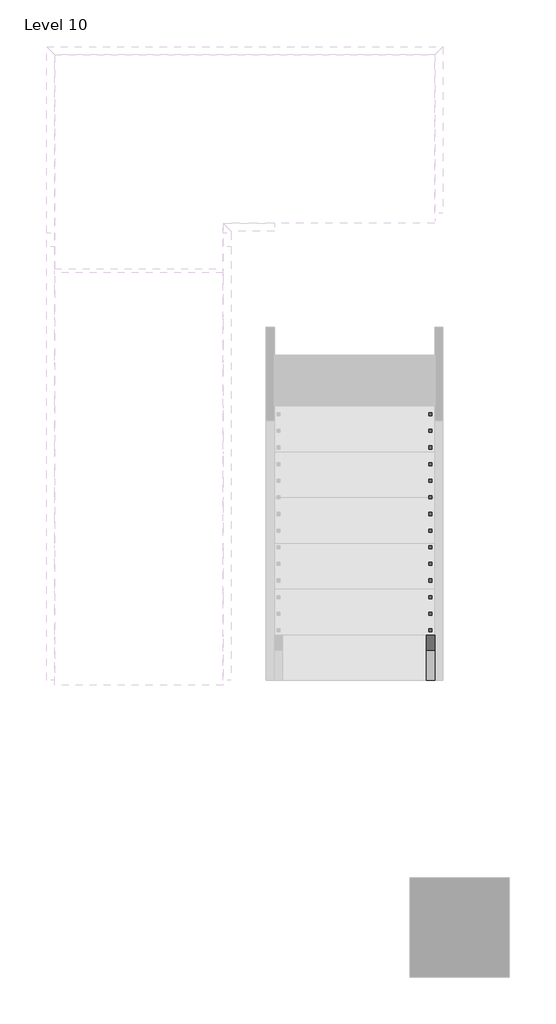
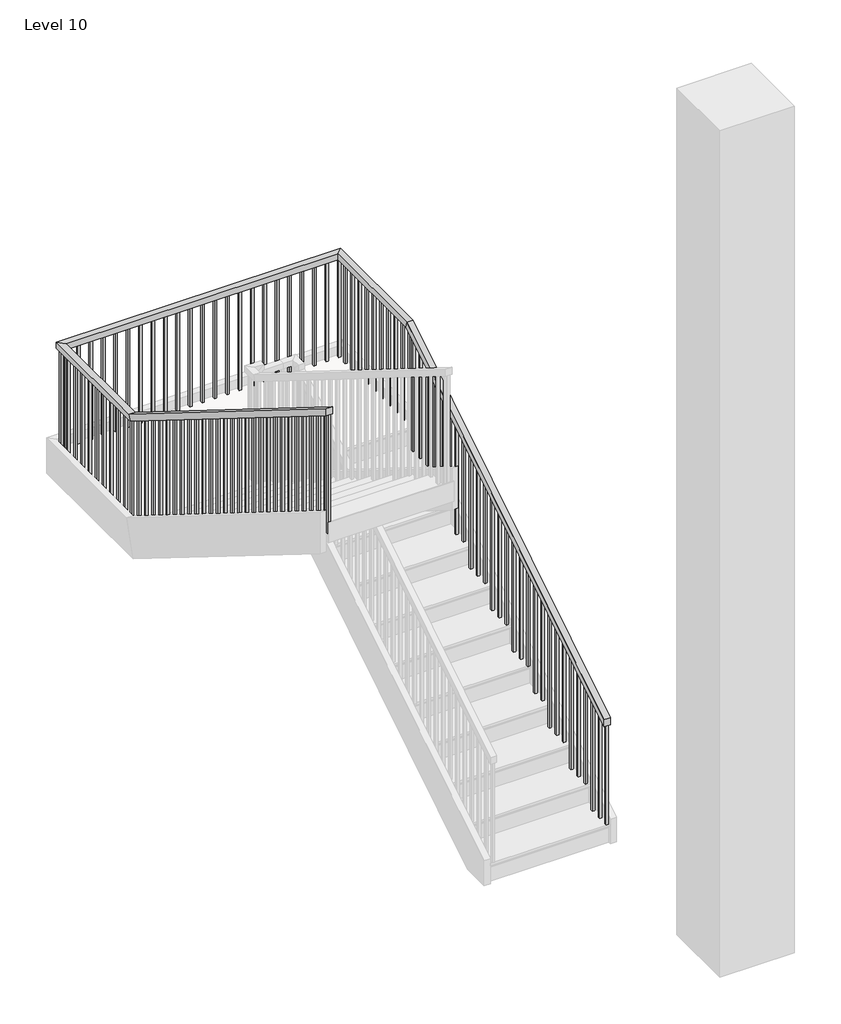
# One storey, part 13 of 16: 1 railing.
"""IFC4 building model written with IfcOpenShell, lengths in millimetres."""

import ifcopenshell
import ifcopenshell.guid

model = None  # the IFC model being written
_history = None  # IfcOwnerHistory: only IFC2X3 demands one
_inside = {}  # id of a spatial element -> (the spatial element, [elements in it])
_under = {}  # id of a project, library or spatial element -> (it, [spatial elements below it])
_declared = {}  # id of a project -> (the project, [libraries it declares])
_typed = {}  # id of a type object -> (the type object, [elements of that type])
_made_of = {}  # id of a material, layer set ... -> (it, [elements and type objects made of it])


def new_model(schema):
    """Start an empty IFC model of exactly this schema.

    Asked for "IFC4X3", IfcOpenShell would pick the latest addendum, in which some entities
    have other attributes; the version numbers below select the first issue.
    IFC2X3 requires an IfcOwnerHistory on every rooted entity: one is made here for all.
    """
    global model, _history
    if schema == "IFC4X3":
        model = ifcopenshell.file(schema_version=(4, 3, 0, 0))
    else:
        model = ifcopenshell.file(schema=schema)
    _inside.clear()
    _under.clear()
    _declared.clear()
    _typed.clear()
    _made_of.clear()
    _history = None
    if model.schema == "IFC2X3":
        org = make("IfcOrganization", Name="unknown")
        user = make(
            "IfcPersonAndOrganization",
            ThePerson=make("IfcPerson", FamilyName="unknown"),
            TheOrganization=org,
        )
        app = make(
            "IfcApplication",
            ApplicationDeveloper=org,
            Version="unknown",
            ApplicationFullName="unknown",
            ApplicationIdentifier="unknown",
        )
        _history = make(
            "IfcOwnerHistory",
            OwningUser=user,
            OwningApplication=app,
            ChangeAction="ADDED",
            CreationDate=0,
        )
    return model


def make(cls, **values):
    """One entity of the class cls with the attributes given. An attribute that is None is left unset."""
    return model.create_entity(
        cls, **{name: value for name, value in values.items() if value is not None}
    )


def rooted(cls, **values):
    """An entity with a GlobalId (a new one), such as an element, a storey or a relation."""
    return make(cls, GlobalId=ifcopenshell.guid.new(), OwnerHistory=_history, **values)


def si_unit(unit_type, name, prefix=None):
    """IfcSIUnit, for example si_unit("LENGTHUNIT", "METRE", prefix="MILLI")."""
    return make("IfcSIUnit", UnitType=unit_type, Prefix=prefix, Name=name)


def assignment(units):
    """IfcUnitAssignment: the units of a project."""
    return None if units is None else make("IfcUnitAssignment", Units=units)


def point(xyz):
    """IfcCartesianPoint."""
    return None if xyz is None else make("IfcCartesianPoint", Coordinates=xyz)


def direction(xyz):
    """IfcDirection."""
    return None if xyz is None else make("IfcDirection", DirectionRatios=xyz)


def frame(location, z_axis=None, x_axis=None):
    """IfcAxis2Placement3D, a coordinate frame: its origin and axes. An axis left out is left unset."""
    return make(
        "IfcAxis2Placement3D",
        Location=point(location),
        Axis=direction(z_axis),
        RefDirection=direction(x_axis),
    )


def origin():
    """The frame at (0, 0, 0) with its axes left unset."""
    return frame((0.0, 0.0, 0.0))


def place(relative_to, where):
    """IfcLocalPlacement: puts the frame where relative to a parent placement (None: the world)."""
    return make(
        "IfcLocalPlacement", PlacementRelTo=relative_to, RelativePlacement=where
    )


def context(
    kind, dimensions, precision=None, world=None, true_north=None, identifier=None
):
    """IfcGeometricRepresentationContext, for example the 3D "Model" context."""
    return make(
        "IfcGeometricRepresentationContext",
        ContextIdentifier=identifier,
        ContextType=kind,
        CoordinateSpaceDimension=dimensions,
        Precision=precision,
        WorldCoordinateSystem=world,
        TrueNorth=true_north,
    )


def project(units=None, contexts=None):
    """IfcProject with its units and contexts."""
    return rooted(
        "IfcProject",
        Name="project",
        RepresentationContexts=contexts,
        UnitsInContext=assignment(units),
    )


def spatial(cls, under=None, at=None, **own):
    """A site, building, storey or space (cls), placed at a placement, below another one or the project."""
    s = rooted(cls, ObjectPlacement=at, **own)
    if under is not None:
        _under.setdefault(under.id(), (under, []))[1].append(s)
    return s


def polyline(points):
    """IfcPolyline through the points."""
    return make("IfcPolyline", Points=[point(p) for p in points])


def outline(outer, holes=None, kind="AREA"):
    """IfcArbitraryClosedProfileDef: a profile drawn as a closed curve; with holes, ...WithVoids."""
    if holes is None:
        return make("IfcArbitraryClosedProfileDef", ProfileType=kind, OuterCurve=outer)
    return make(
        "IfcArbitraryProfileDefWithVoids",
        ProfileType=kind,
        OuterCurve=outer,
        InnerCurves=holes,
    )


def extrude(swept, where, along, depth):
    """IfcExtrudedAreaSolid: the profile swept, set in the frame where, extruded along a direction by depth."""
    return make(
        "IfcExtrudedAreaSolid",
        SweptArea=swept,
        Position=where,
        ExtrudedDirection=direction(along),
        Depth=depth,
    )


def faces_of(points, faces, orient=None, outer=None):
    """IfcFace entities. A face is a list of loops; a loop is a list of indices into points, from 0.

    orient and outer hold one flag for each loop. By default every Orientation is true, the
    first loop of a face is its IfcFaceOuterBound and the others are IfcFaceBound.
    """
    made = []
    for i, loops in enumerate(faces):
        bounds = []
        for j, loop in enumerate(loops):
            is_outer = j == 0 if outer is None else outer[i][j]
            bounds.append(
                make(
                    "IfcFaceOuterBound" if is_outer else "IfcFaceBound",
                    Bound=make("IfcPolyLoop", Polygon=[points[k] for k in loop]),
                    Orientation=True if orient is None else orient[i][j],
                )
            )
        made.append(make("IfcFace", Bounds=bounds))
    return made


def faceted_brep(points, faces, orient=None, outer=None, voids=None):
    """IfcFacetedBrep: a solid bounded by flat faces; with voids (closed shells), ...WithVoids."""
    shared = [point(p) for p in points]
    hull = make("IfcClosedShell", CfsFaces=faces_of(shared, faces, orient, outer))
    if voids is None:
        return make("IfcFacetedBrep", Outer=hull)
    return make(
        "IfcFacetedBrepWithVoids",
        Outer=hull,
        Voids=[
            make(cls, CfsFaces=faces_of(shared, fs, o, b)) for cls, fs, o, b in voids
        ],
    )


def shape(context_of_items, identifier, shape_type, items):
    """IfcShapeRepresentation: the items that make up one representation, for example the "Body"."""
    return make(
        "IfcShapeRepresentation",
        ContextOfItems=context_of_items,
        RepresentationIdentifier=identifier,
        RepresentationType=shape_type,
        Items=items,
    )


def made_of(thing, what):
    """Note that an element or type object is made of a material, layer set ...; save() writes the relation."""
    if what is not None:
        _made_of.setdefault(what.id(), (what, []))[1].append(thing)
    return thing


def element(
    cls,
    number,
    at=None,
    inside=None,
    cuts=None,
    type_object=None,
    material=None,
    context=None,
    identifier="Body",
    shape_type=None,
    held_by="IfcProductDefinitionShape",
    body=None,
    shapes=None,
    **own,
):
    """One element of the class cls, such as IfcWall. Its Tag is "e" and its number.

    at: its placement. inside: the storey or other place that contains it. cuts: it is an
    opening in that element (IfcRelVoidsElement). A single representation is given by context,
    identifier, shape_type and body (its items); several are given by shapes. held_by: the class
    of the entity that holds the representations. save() writes the other relations.
    """
    e = rooted(cls, Tag="e%d" % number, ObjectPlacement=at, **own)
    if body is not None:
        shapes = [shape(context, identifier, shape_type, body)]
    if shapes is not None:
        e.Representation = make(held_by, Representations=shapes)
    if inside is not None:
        _inside.setdefault(inside.id(), (inside, []))[1].append(e)
    if cuts is not None:
        rooted(
            "IfcRelVoidsElement", RelatingBuildingElement=cuts, RelatedOpeningElement=e
        )
    if type_object is not None:
        _typed.setdefault(type_object.id(), (type_object, []))[1].append(e)
    return made_of(e, material)


def aggregate(whole, parts):
    """IfcRelAggregates: a whole, such as a stair, and the parts it consists of."""
    return rooted("IfcRelAggregates", RelatingObject=whole, RelatedObjects=parts)


def save(model, path):
    """Write the relations noted so far, then the file.

    IfcRelAggregates (storeys below a building ...), IfcRelContainedInSpatialStructure (elements
    in a storey), IfcRelDefinesByType, IfcRelAssociatesMaterial and IfcRelDeclares: one each for
    every whole, place, type object, material and project.
    """
    for whole, parts in _under.values():
        aggregate(whole, parts)
    for where, things in _inside.values():
        rooted(
            "IfcRelContainedInSpatialStructure",
            RelatedElements=things,
            RelatingStructure=where,
        )
    for kind, things in _typed.values():
        rooted("IfcRelDefinesByType", RelatedObjects=things, RelatingType=kind)
    for what, things in _made_of.values():
        rooted("IfcRelAssociatesMaterial", RelatedObjects=things, RelatingMaterial=what)
    for by, libraries in _declared.values():
        rooted("IfcRelDeclares", RelatingContext=by, RelatedDefinitions=libraries)
    model.write(path)


model = new_model("IFC4")

# Units and contexts
model_context = context("Model", 3, world=origin())
ifc_project = project(units=[si_unit("LENGTHUNIT", "METRE", prefix="MILLI")], contexts=[model_context])

# Site, building, storey
site = spatial("IfcSite", under=ifc_project)
building = spatial("IfcBuilding", under=site)
storey = spatial("IfcBuildingStorey", under=building, Name="Level 10", Elevation=36118.8)

# Railing
placement = place(None, origin())
element("IfcRailing", 1, ObjectType="Handrail - Rectangular", at=placement, inside=storey, context=model_context, shape_type="SolidModel", body=[
    faceted_brep([(-18176.8930445, 2625.4460566, 37207.3714286), (-18176.8930445, 2625.4460566, 37147.5093152), (-18126.0930445, 2625.4460566, 37147.5093152), (-18126.0930445, 2625.4460566, 37207.3714286), (-18176.8930445, 5419.4460566, 38949.0857143), (-18176.8930445, 5433.9831967, 38898.2857143), (-18126.0930445, 5433.9831967, 38898.2857143), (-18126.0930445, 5419.4460566, 38949.0857143), (-18176.8930445, 6396.9720312, 38949.0857143), (-18176.8930445, 6396.9720312, 38898.2857143), (-18126.0930445, 6447.7720312, 38898.2857143), (-18126.0930445, 6447.7720312, 38949.0857143), (-20399.3930445, 6396.9720312, 38949.0857143), (-20399.3930445, 6396.9720312, 38898.2857143), (-20450.1930445, 6447.7720312, 38898.2857143), (-20450.1930445, 6447.7720312, 38949.0857143), (-20399.3930445, 5419.4460566, 38949.0857143), (-20399.3930445, 5404.9089165, 38898.2857143), (-20450.1930445, 5404.9089165, 38898.2857143), (-20450.1930445, 5419.4460566, 38949.0857143), (-20399.3930445, 2625.4460566, 40690.8), (-20450.1930445, 2625.4460566, 40690.8), (-20450.1930445, 2625.4460566, 40630.9378867), (-20399.3930445, 2625.4460566, 40630.9378867)], [[[0, 1, 2, 3]], [[1, 0, 4, 5]], [[2, 1, 5, 6]], [[3, 2, 6, 7]], [[0, 3, 7, 4]], [[5, 4, 8, 9]], [[6, 5, 9, 10]], [[7, 6, 10, 11]], [[4, 7, 11, 8]], [[9, 8, 12, 13]], [[10, 9, 13, 14]], [[11, 10, 14, 15]], [[8, 11, 15, 12]], [[13, 12, 16, 17]], [[14, 13, 17, 18]], [[15, 14, 18, 19]], [[12, 15, 19, 16]], [[20, 21, 22, 23]], [[17, 16, 20, 23]], [[18, 17, 23, 22]], [[19, 18, 22, 21]], [[16, 19, 21, 20]]]),
    extrude(outline(polyline([(2666.7210566, 40605.2080165), (2685.7710566, 40593.3326919), (2685.7710566, 39602.2285714), (2666.7210566, 39602.2285714), (2666.7210566, 40605.2080165)])), frame((-20434.3180445, 0.0, 0.0), z_axis=(1.0, 0.0, 0.0), x_axis=(0.0, 1.0, 0.0)), (0.0, 0.0, 1.0), 19.05),
    extrude(outline(polyline([(2768.3210566, 40541.8729516), (2787.3710566, 40529.9976269), (2787.3710566, 39602.2285714), (2768.3210566, 39602.2285714), (2768.3210566, 40541.8729516)])), frame((-20434.3180445, 0.0, 0.0), z_axis=(1.0, 0.0, 0.0), x_axis=(0.0, 1.0, 0.0)), (0.0, 0.0, 1.0), 19.05),
    extrude(outline(polyline([(2869.9210566, 40478.5378867), (2888.9710566, 40466.662562), (2888.9710566, 39602.2285714), (2869.9210566, 39602.2285714), (2869.9210566, 40478.5378867)])), frame((-20434.3180445, 0.0, 0.0), z_axis=(1.0, 0.0, 0.0), x_axis=(0.0, 1.0, 0.0)), (0.0, 0.0, 1.0), 19.05),
    extrude(outline(polyline([(2971.5210566, 40415.2028217), (2990.5710566, 40403.3274971), (2990.5710566, 39428.0571429), (2971.5210566, 39428.0571429), (2971.5210566, 40415.2028217)])), frame((-20434.3180445, 0.0, 0.0), z_axis=(1.0, 0.0, 0.0), x_axis=(0.0, 1.0, 0.0)), (0.0, 0.0, 1.0), 19.05),
    extrude(outline(polyline([(3073.1210566, 40351.8677568), (3092.1710566, 40339.9924321), (3092.1710566, 39428.0571429), (3073.1210566, 39428.0571429), (3073.1210566, 40351.8677568)])), frame((-20434.3180445, 0.0, 0.0), z_axis=(1.0, 0.0, 0.0), x_axis=(0.0, 1.0, 0.0)), (0.0, 0.0, 1.0), 19.05),
    extrude(outline(polyline([(3174.7210566, 40288.5326919), (3193.7710566, 40276.6573672), (3193.7710566, 39428.0571429), (3174.7210566, 39428.0571429), (3174.7210566, 40288.5326919)])), frame((-20434.3180445, 0.0, 0.0), z_axis=(1.0, 0.0, 0.0), x_axis=(0.0, 1.0, 0.0)), (0.0, 0.0, 1.0), 19.05),
    extrude(outline(polyline([(3276.3210566, 40225.1976269), (3295.3710566, 40213.3223023), (3295.3710566, 39253.8857143), (3276.3210566, 39253.8857143), (3276.3210566, 40225.1976269)])), frame((-20434.3180445, 0.0, 0.0), z_axis=(1.0, 0.0, 0.0), x_axis=(0.0, 1.0, 0.0)), (0.0, 0.0, 1.0), 19.05),
    extrude(outline(polyline([(3377.9210566, 40161.862562), (3396.9710566, 40149.9872373), (3396.9710566, 39253.8857143), (3377.9210566, 39253.8857143), (3377.9210566, 40161.862562)])), frame((-20434.3180445, 0.0, 0.0), z_axis=(1.0, 0.0, 0.0), x_axis=(0.0, 1.0, 0.0)), (0.0, 0.0, 1.0), 19.05),
    extrude(outline(polyline([(3479.5210566, 40098.5274971), (3498.5710566, 40086.6521724), (3498.5710566, 39079.7142857), (3479.5210566, 39079.7142857), (3479.5210566, 40098.5274971)])), frame((-20434.3180445, 0.0, 0.0), z_axis=(1.0, 0.0, 0.0), x_axis=(0.0, 1.0, 0.0)), (0.0, 0.0, 1.0), 19.05),
    extrude(outline(polyline([(3581.1210566, 40035.1924321), (3600.1710566, 40023.3171074), (3600.1710566, 39079.7142857), (3581.1210566, 39079.7142857), (3581.1210566, 40035.1924321)])), frame((-20434.3180445, 0.0, 0.0), z_axis=(1.0, 0.0, 0.0), x_axis=(0.0, 1.0, 0.0)), (0.0, 0.0, 1.0), 19.05),
    extrude(outline(polyline([(3682.7210566, 39971.8573672), (3701.7710566, 39959.9820425), (3701.7710566, 39079.7142857), (3682.7210566, 39079.7142857), (3682.7210566, 39971.8573672)])), frame((-20434.3180445, 0.0, 0.0), z_axis=(1.0, 0.0, 0.0), x_axis=(0.0, 1.0, 0.0)), (0.0, 0.0, 1.0), 19.05),
    extrude(outline(polyline([(3784.3210566, 39908.5223023), (3803.3710566, 39896.6469776), (3803.3710566, 38905.5428571), (3784.3210566, 38905.5428571), (3784.3210566, 39908.5223023)])), frame((-20434.3180445, 0.0, 0.0), z_axis=(1.0, 0.0, 0.0), x_axis=(0.0, 1.0, 0.0)), (0.0, 0.0, 1.0), 19.05),
    extrude(outline(polyline([(3885.9210566, 39845.1872373), (3904.9710566, 39833.3119126), (3904.9710566, 38905.5428571), (3885.9210566, 38905.5428571), (3885.9210566, 39845.1872373)])), frame((-20434.3180445, 0.0, 0.0), z_axis=(1.0, 0.0, 0.0), x_axis=(0.0, 1.0, 0.0)), (0.0, 0.0, 1.0), 19.05),
    extrude(outline(polyline([(3987.5210566, 39781.8521724), (4006.5710566, 39769.9768477), (4006.5710566, 38905.5428571), (3987.5210566, 38905.5428571), (3987.5210566, 39781.8521724)])), frame((-20434.3180445, 0.0, 0.0), z_axis=(1.0, 0.0, 0.0), x_axis=(0.0, 1.0, 0.0)), (0.0, 0.0, 1.0), 19.05),
    extrude(outline(polyline([(4089.1210566, 39718.5171074), (4108.1710566, 39706.6417828), (4108.1710566, 38731.3714286), (4089.1210566, 38731.3714286), (4089.1210566, 39718.5171074)])), frame((-20434.3180445, 0.0, 0.0), z_axis=(1.0, 0.0, 0.0), x_axis=(0.0, 1.0, 0.0)), (0.0, 0.0, 1.0), 19.05),
    extrude(outline(polyline([(4190.7210566, 39655.1820425), (4209.7710566, 39643.3067178), (4209.7710566, 38731.3714286), (4190.7210566, 38731.3714286), (4190.7210566, 39655.1820425)])), frame((-20434.3180445, 0.0, 0.0), z_axis=(1.0, 0.0, 0.0), x_axis=(0.0, 1.0, 0.0)), (0.0, 0.0, 1.0), 19.05),
    extrude(outline(polyline([(4292.3210566, 39591.8469776), (4311.3710566, 39579.9716529), (4311.3710566, 38731.3714286), (4292.3210566, 38731.3714286), (4292.3210566, 39591.8469776)])), frame((-20434.3180445, 0.0, 0.0), z_axis=(1.0, 0.0, 0.0), x_axis=(0.0, 1.0, 0.0)), (0.0, 0.0, 1.0), 19.05),
    extrude(outline(polyline([(4393.9210566, 39528.5119126), (4412.9710566, 39516.636588), (4412.9710566, 38557.2), (4393.9210566, 38557.2), (4393.9210566, 39528.5119126)])), frame((-20434.3180445, 0.0, 0.0), z_axis=(1.0, 0.0, 0.0), x_axis=(0.0, 1.0, 0.0)), (0.0, 0.0, 1.0), 19.05),
    extrude(outline(polyline([(4495.5210566, 39465.1768477), (4514.5710566, 39453.301523), (4514.5710566, 38557.2), (4495.5210566, 38557.2), (4495.5210566, 39465.1768477)])), frame((-20434.3180445, 0.0, 0.0), z_axis=(1.0, 0.0, 0.0), x_axis=(0.0, 1.0, 0.0)), (0.0, 0.0, 1.0), 19.05),
    extrude(outline(polyline([(4597.1210566, 39401.8417828), (4616.1710566, 39389.9664581), (4616.1710566, 38383.0285714), (4597.1210566, 38383.0285714), (4597.1210566, 39401.8417828)])), frame((-20434.3180445, 0.0, 0.0), z_axis=(1.0, 0.0, 0.0), x_axis=(0.0, 1.0, 0.0)), (0.0, 0.0, 1.0), 19.05),
    extrude(outline(polyline([(4698.7210566, 39338.5067178), (4717.7710566, 39326.6313932), (4717.7710566, 38383.0285714), (4698.7210566, 38383.0285714), (4698.7210566, 39338.5067178)])), frame((-20434.3180445, 0.0, 0.0), z_axis=(1.0, 0.0, 0.0), x_axis=(0.0, 1.0, 0.0)), (0.0, 0.0, 1.0), 19.05),
    extrude(outline(polyline([(4800.3210566, 39275.1716529), (4819.3710566, 39263.2963282), (4819.3710566, 38383.0285714), (4800.3210566, 38383.0285714), (4800.3210566, 39275.1716529)])), frame((-20434.3180445, 0.0, 0.0), z_axis=(1.0, 0.0, 0.0), x_axis=(0.0, 1.0, 0.0)), (0.0, 0.0, 1.0), 19.05),
    extrude(outline(polyline([(4901.9210566, 39211.836588), (4920.9710566, 39199.9612633), (4920.9710566, 38208.8571429), (4901.9210566, 38208.8571429), (4901.9210566, 39211.836588)])), frame((-20434.3180445, 0.0, 0.0), z_axis=(1.0, 0.0, 0.0), x_axis=(0.0, 1.0, 0.0)), (0.0, 0.0, 1.0), 19.05),
    extrude(outline(polyline([(5003.5210566, 39148.501523), (5022.5710566, 39136.6261984), (5022.5710566, 38208.8571429), (5003.5210566, 38208.8571429), (5003.5210566, 39148.501523)])), frame((-20434.3180445, 0.0, 0.0), z_axis=(1.0, 0.0, 0.0), x_axis=(0.0, 1.0, 0.0)), (0.0, 0.0, 1.0), 19.05),
    extrude(outline(polyline([(5105.1210566, 39085.1664581), (5124.1710566, 39073.2911334), (5124.1710566, 38208.8571429), (5105.1210566, 38208.8571429), (5105.1210566, 39085.1664581)])), frame((-20434.3180445, 0.0, 0.0), z_axis=(1.0, 0.0, 0.0), x_axis=(0.0, 1.0, 0.0)), (0.0, 0.0, 1.0), 19.05),
    extrude(outline(polyline([(5206.7210566, 39021.8313932), (5225.7710566, 39009.9560685), (5225.7710566, 38034.6857143), (5206.7210566, 38034.6857143), (5206.7210566, 39021.8313932)])), frame((-20434.3180445, 0.0, 0.0), z_axis=(1.0, 0.0, 0.0), x_axis=(0.0, 1.0, 0.0)), (0.0, 0.0, 1.0), 19.05),
    extrude(outline(polyline([(5308.3210566, 38958.4963282), (5327.3710566, 38946.6210036), (5327.3710566, 38034.6857143), (5308.3210566, 38034.6857143), (5308.3210566, 38958.4963282)])), frame((-20434.3180445, 0.0, 0.0), z_axis=(1.0, 0.0, 0.0), x_axis=(0.0, 1.0, 0.0)), (0.0, 0.0, 1.0), 19.05),
    extrude(outline(polyline([(-20434.3180445, 5517.4970312), (-20415.2680445, 5517.4970312), (-20415.2680445, 5498.4470312), (-20434.3180445, 5498.4470312), (-20434.3180445, 5517.4970312)])), frame((0.0, 0.0, 38034.6857143), z_axis=(0.0, 0.0, 1.0), x_axis=(1.0, 0.0, 0.0)), (0.0, 0.0, 1.0), 863.6),
    extrude(outline(polyline([(-20434.3180445, 5619.0970312), (-20415.2680445, 5619.0970312), (-20415.2680445, 5600.0470312), (-20434.3180445, 5600.0470312), (-20434.3180445, 5619.0970312)])), frame((0.0, 0.0, 38034.6857143), z_axis=(0.0, 0.0, 1.0), x_axis=(1.0, 0.0, 0.0)), (0.0, 0.0, 1.0), 863.6),
    extrude(outline(polyline([(-20434.3180445, 5720.6970312), (-20415.2680445, 5720.6970312), (-20415.2680445, 5701.6470312), (-20434.3180445, 5701.6470312), (-20434.3180445, 5720.6970312)])), frame((0.0, 0.0, 38034.6857143), z_axis=(0.0, 0.0, 1.0), x_axis=(1.0, 0.0, 0.0)), (0.0, 0.0, 1.0), 863.6),
    extrude(outline(polyline([(-20434.3180445, 5822.2970312), (-20415.2680445, 5822.2970312), (-20415.2680445, 5803.2470312), (-20434.3180445, 5803.2470312), (-20434.3180445, 5822.2970312)])), frame((0.0, 0.0, 38034.6857143), z_axis=(0.0, 0.0, 1.0), x_axis=(1.0, 0.0, 0.0)), (0.0, 0.0, 1.0), 863.6),
    extrude(outline(polyline([(-20434.3180445, 5923.8970312), (-20415.2680445, 5923.8970312), (-20415.2680445, 5904.8470312), (-20434.3180445, 5904.8470312), (-20434.3180445, 5923.8970312)])), frame((0.0, 0.0, 38034.6857143), z_axis=(0.0, 0.0, 1.0), x_axis=(1.0, 0.0, 0.0)), (0.0, 0.0, 1.0), 863.6),
    extrude(outline(polyline([(-20434.3180445, 6025.4970312), (-20415.2680445, 6025.4970312), (-20415.2680445, 6006.4470312), (-20434.3180445, 6006.4470312), (-20434.3180445, 6025.4970312)])), frame((0.0, 0.0, 38034.6857143), z_axis=(0.0, 0.0, 1.0), x_axis=(1.0, 0.0, 0.0)), (0.0, 0.0, 1.0), 863.6),
    extrude(outline(polyline([(-20434.3180445, 6127.0970312), (-20415.2680445, 6127.0970312), (-20415.2680445, 6108.0470312), (-20434.3180445, 6108.0470312), (-20434.3180445, 6127.0970312)])), frame((0.0, 0.0, 38034.6857143), z_axis=(0.0, 0.0, 1.0), x_axis=(1.0, 0.0, 0.0)), (0.0, 0.0, 1.0), 863.6),
    extrude(outline(polyline([(-20434.3180445, 6228.6970312), (-20415.2680445, 6228.6970312), (-20415.2680445, 6209.6470312), (-20434.3180445, 6209.6470312), (-20434.3180445, 6228.6970312)])), frame((0.0, 0.0, 38034.6857143), z_axis=(0.0, 0.0, 1.0), x_axis=(1.0, 0.0, 0.0)), (0.0, 0.0, 1.0), 863.6),
    extrude(outline(polyline([(-20434.3180445, 6330.2970312), (-20415.2680445, 6330.2970312), (-20415.2680445, 6311.2470312), (-20434.3180445, 6311.2470312), (-20434.3180445, 6330.2970312)])), frame((0.0, 0.0, 38034.6857143), z_axis=(0.0, 0.0, 1.0), x_axis=(1.0, 0.0, 0.0)), (0.0, 0.0, 1.0), 863.6),
    extrude(outline(polyline([(-20377.1680445, 6431.8970312), (-20377.1680445, 6412.8470312), (-20396.2180445, 6412.8470312), (-20396.2180445, 6431.8970312), (-20377.1680445, 6431.8970312)])), frame((0.0, 0.0, 38034.6857143), z_axis=(0.0, 0.0, 1.0), x_axis=(1.0, 0.0, 0.0)), (0.0, 0.0, 1.0), 863.6),
    extrude(outline(polyline([(-20275.5680445, 6431.8970312), (-20275.5680445, 6412.8470312), (-20294.6180445, 6412.8470312), (-20294.6180445, 6431.8970312), (-20275.5680445, 6431.8970312)])), frame((0.0, 0.0, 38034.6857143), z_axis=(0.0, 0.0, 1.0), x_axis=(1.0, 0.0, 0.0)), (0.0, 0.0, 1.0), 863.6),
    extrude(outline(polyline([(-20173.9680445, 6431.8970312), (-20173.9680445, 6412.8470312), (-20193.0180445, 6412.8470312), (-20193.0180445, 6431.8970312), (-20173.9680445, 6431.8970312)])), frame((0.0, 0.0, 38034.6857143), z_axis=(0.0, 0.0, 1.0), x_axis=(1.0, 0.0, 0.0)), (0.0, 0.0, 1.0), 863.6),
    extrude(outline(polyline([(-20072.3680445, 6431.8970312), (-20072.3680445, 6412.8470312), (-20091.4180445, 6412.8470312), (-20091.4180445, 6431.8970312), (-20072.3680445, 6431.8970312)])), frame((0.0, 0.0, 38034.6857143), z_axis=(0.0, 0.0, 1.0), x_axis=(1.0, 0.0, 0.0)), (0.0, 0.0, 1.0), 863.6),
    extrude(outline(polyline([(-19970.7680445, 6431.8970312), (-19970.7680445, 6412.8470312), (-19989.8180445, 6412.8470312), (-19989.8180445, 6431.8970312), (-19970.7680445, 6431.8970312)])), frame((0.0, 0.0, 38034.6857143), z_axis=(0.0, 0.0, 1.0), x_axis=(1.0, 0.0, 0.0)), (0.0, 0.0, 1.0), 863.6),
    extrude(outline(polyline([(-19869.1680445, 6431.8970312), (-19869.1680445, 6412.8470312), (-19888.2180445, 6412.8470312), (-19888.2180445, 6431.8970312), (-19869.1680445, 6431.8970312)])), frame((0.0, 0.0, 38034.6857143), z_axis=(0.0, 0.0, 1.0), x_axis=(1.0, 0.0, 0.0)), (0.0, 0.0, 1.0), 863.6),
    extrude(outline(polyline([(-19767.5680445, 6431.8970312), (-19767.5680445, 6412.8470312), (-19786.6180445, 6412.8470312), (-19786.6180445, 6431.8970312), (-19767.5680445, 6431.8970312)])), frame((0.0, 0.0, 38034.6857143), z_axis=(0.0, 0.0, 1.0), x_axis=(1.0, 0.0, 0.0)), (0.0, 0.0, 1.0), 863.6),
    extrude(outline(polyline([(-19665.9680445, 6431.8970312), (-19665.9680445, 6412.8470312), (-19685.0180445, 6412.8470312), (-19685.0180445, 6431.8970312), (-19665.9680445, 6431.8970312)])), frame((0.0, 0.0, 38034.6857143), z_axis=(0.0, 0.0, 1.0), x_axis=(1.0, 0.0, 0.0)), (0.0, 0.0, 1.0), 863.6),
    extrude(outline(polyline([(-19564.3680445, 6431.8970312), (-19564.3680445, 6412.8470312), (-19583.4180445, 6412.8470312), (-19583.4180445, 6431.8970312), (-19564.3680445, 6431.8970312)])), frame((0.0, 0.0, 38034.6857143), z_axis=(0.0, 0.0, 1.0), x_axis=(1.0, 0.0, 0.0)), (0.0, 0.0, 1.0), 863.6),
    extrude(outline(polyline([(-19462.7680445, 6431.8970312), (-19462.7680445, 6412.8470312), (-19481.8180445, 6412.8470312), (-19481.8180445, 6431.8970312), (-19462.7680445, 6431.8970312)])), frame((0.0, 0.0, 38034.6857143), z_axis=(0.0, 0.0, 1.0), x_axis=(1.0, 0.0, 0.0)), (0.0, 0.0, 1.0), 863.6),
    extrude(outline(polyline([(-19361.1680445, 6431.8970312), (-19361.1680445, 6412.8470312), (-19380.2180445, 6412.8470312), (-19380.2180445, 6431.8970312), (-19361.1680445, 6431.8970312)])), frame((0.0, 0.0, 38034.6857143), z_axis=(0.0, 0.0, 1.0), x_axis=(1.0, 0.0, 0.0)), (0.0, 0.0, 1.0), 863.6),
    extrude(outline(polyline([(-19259.5680445, 6431.8970312), (-19259.5680445, 6412.8470312), (-19278.6180445, 6412.8470312), (-19278.6180445, 6431.8970312), (-19259.5680445, 6431.8970312)])), frame((0.0, 0.0, 38034.6857143), z_axis=(0.0, 0.0, 1.0), x_axis=(1.0, 0.0, 0.0)), (0.0, 0.0, 1.0), 863.6),
    extrude(outline(polyline([(-19157.9680445, 6431.8970312), (-19157.9680445, 6412.8470312), (-19177.0180445, 6412.8470312), (-19177.0180445, 6431.8970312), (-19157.9680445, 6431.8970312)])), frame((0.0, 0.0, 38034.6857143), z_axis=(0.0, 0.0, 1.0), x_axis=(1.0, 0.0, 0.0)), (0.0, 0.0, 1.0), 863.6),
    extrude(outline(polyline([(-19056.3680445, 6431.8970312), (-19056.3680445, 6412.8470312), (-19075.4180445, 6412.8470312), (-19075.4180445, 6431.8970312), (-19056.3680445, 6431.8970312)])), frame((0.0, 0.0, 38034.6857143), z_axis=(0.0, 0.0, 1.0), x_axis=(1.0, 0.0, 0.0)), (0.0, 0.0, 1.0), 863.6),
    extrude(outline(polyline([(-18954.7680445, 6431.8970312), (-18954.7680445, 6412.8470312), (-18973.8180445, 6412.8470312), (-18973.8180445, 6431.8970312), (-18954.7680445, 6431.8970312)])), frame((0.0, 0.0, 38034.6857143), z_axis=(0.0, 0.0, 1.0), x_axis=(1.0, 0.0, 0.0)), (0.0, 0.0, 1.0), 863.6),
    extrude(outline(polyline([(-18853.1680445, 6431.8970312), (-18853.1680445, 6412.8470312), (-18872.2180445, 6412.8470312), (-18872.2180445, 6431.8970312), (-18853.1680445, 6431.8970312)])), frame((0.0, 0.0, 38034.6857143), z_axis=(0.0, 0.0, 1.0), x_axis=(1.0, 0.0, 0.0)), (0.0, 0.0, 1.0), 863.6),
    extrude(outline(polyline([(-18751.5680445, 6431.8970312), (-18751.5680445, 6412.8470312), (-18770.6180445, 6412.8470312), (-18770.6180445, 6431.8970312), (-18751.5680445, 6431.8970312)])), frame((0.0, 0.0, 38034.6857143), z_axis=(0.0, 0.0, 1.0), x_axis=(1.0, 0.0, 0.0)), (0.0, 0.0, 1.0), 863.6),
    extrude(outline(polyline([(-18649.9680445, 6431.8970312), (-18649.9680445, 6412.8470312), (-18669.0180445, 6412.8470312), (-18669.0180445, 6431.8970312), (-18649.9680445, 6431.8970312)])), frame((0.0, 0.0, 38034.6857143), z_axis=(0.0, 0.0, 1.0), x_axis=(1.0, 0.0, 0.0)), (0.0, 0.0, 1.0), 863.6),
    extrude(outline(polyline([(-18548.3680445, 6431.8970312), (-18548.3680445, 6412.8470312), (-18567.4180445, 6412.8470312), (-18567.4180445, 6431.8970312), (-18548.3680445, 6431.8970312)])), frame((0.0, 0.0, 38034.6857143), z_axis=(0.0, 0.0, 1.0), x_axis=(1.0, 0.0, 0.0)), (0.0, 0.0, 1.0), 863.6),
    extrude(outline(polyline([(-18446.7680445, 6431.8970312), (-18446.7680445, 6412.8470312), (-18465.8180445, 6412.8470312), (-18465.8180445, 6431.8970312), (-18446.7680445, 6431.8970312)])), frame((0.0, 0.0, 38034.6857143), z_axis=(0.0, 0.0, 1.0), x_axis=(1.0, 0.0, 0.0)), (0.0, 0.0, 1.0), 863.6),
    extrude(outline(polyline([(-18345.1680445, 6431.8970312), (-18345.1680445, 6412.8470312), (-18364.2180445, 6412.8470312), (-18364.2180445, 6431.8970312), (-18345.1680445, 6431.8970312)])), frame((0.0, 0.0, 38034.6857143), z_axis=(0.0, 0.0, 1.0), x_axis=(1.0, 0.0, 0.0)), (0.0, 0.0, 1.0), 863.6),
    extrude(outline(polyline([(-18243.5680445, 6431.8970312), (-18243.5680445, 6412.8470312), (-18262.6180445, 6412.8470312), (-18262.6180445, 6431.8970312), (-18243.5680445, 6431.8970312)])), frame((0.0, 0.0, 38034.6857143), z_axis=(0.0, 0.0, 1.0), x_axis=(1.0, 0.0, 0.0)), (0.0, 0.0, 1.0), 863.6),
    extrude(outline(polyline([(-18141.9680445, 6324.3210566), (-18161.0180445, 6324.3210566), (-18161.0180445, 6343.3710566), (-18141.9680445, 6343.3710566), (-18141.9680445, 6324.3210566)])), frame((0.0, 0.0, 38034.6857143), z_axis=(0.0, 0.0, 1.0), x_axis=(1.0, 0.0, 0.0)), (0.0, 0.0, 1.0), 863.6),
    extrude(outline(polyline([(-18141.9680445, 6222.7210566), (-18161.0180445, 6222.7210566), (-18161.0180445, 6241.7710566), (-18141.9680445, 6241.7710566), (-18141.9680445, 6222.7210566)])), frame((0.0, 0.0, 38034.6857143), z_axis=(0.0, 0.0, 1.0), x_axis=(1.0, 0.0, 0.0)), (0.0, 0.0, 1.0), 863.6),
    extrude(outline(polyline([(-18141.9680445, 6121.1210566), (-18161.0180445, 6121.1210566), (-18161.0180445, 6140.1710566), (-18141.9680445, 6140.1710566), (-18141.9680445, 6121.1210566)])), frame((0.0, 0.0, 38034.6857143), z_axis=(0.0, 0.0, 1.0), x_axis=(1.0, 0.0, 0.0)), (0.0, 0.0, 1.0), 863.6),
    extrude(outline(polyline([(-18141.9680445, 6019.5210566), (-18161.0180445, 6019.5210566), (-18161.0180445, 6038.5710566), (-18141.9680445, 6038.5710566), (-18141.9680445, 6019.5210566)])), frame((0.0, 0.0, 38034.6857143), z_axis=(0.0, 0.0, 1.0), x_axis=(1.0, 0.0, 0.0)), (0.0, 0.0, 1.0), 863.6),
    extrude(outline(polyline([(-18141.9680445, 5917.9210566), (-18161.0180445, 5917.9210566), (-18161.0180445, 5936.9710566), (-18141.9680445, 5936.9710566), (-18141.9680445, 5917.9210566)])), frame((0.0, 0.0, 38034.6857143), z_axis=(0.0, 0.0, 1.0), x_axis=(1.0, 0.0, 0.0)), (0.0, 0.0, 1.0), 863.6),
    extrude(outline(polyline([(-18141.9680445, 5816.3210566), (-18161.0180445, 5816.3210566), (-18161.0180445, 5835.3710566), (-18141.9680445, 5835.3710566), (-18141.9680445, 5816.3210566)])), frame((0.0, 0.0, 38034.6857143), z_axis=(0.0, 0.0, 1.0), x_axis=(1.0, 0.0, 0.0)), (0.0, 0.0, 1.0), 863.6),
    extrude(outline(polyline([(-18141.9680445, 5714.7210566), (-18161.0180445, 5714.7210566), (-18161.0180445, 5733.7710566), (-18141.9680445, 5733.7710566), (-18141.9680445, 5714.7210566)])), frame((0.0, 0.0, 38034.6857143), z_axis=(0.0, 0.0, 1.0), x_axis=(1.0, 0.0, 0.0)), (0.0, 0.0, 1.0), 863.6),
    extrude(outline(polyline([(-18141.9680445, 5613.1210566), (-18161.0180445, 5613.1210566), (-18161.0180445, 5632.1710566), (-18141.9680445, 5632.1710566), (-18141.9680445, 5613.1210566)])), frame((0.0, 0.0, 38034.6857143), z_axis=(0.0, 0.0, 1.0), x_axis=(1.0, 0.0, 0.0)), (0.0, 0.0, 1.0), 863.6),
    extrude(outline(polyline([(-18141.9680445, 5511.5210566), (-18161.0180445, 5511.5210566), (-18161.0180445, 5530.5710566), (-18141.9680445, 5530.5710566), (-18141.9680445, 5511.5210566)])), frame((0.0, 0.0, 38034.6857143), z_axis=(0.0, 0.0, 1.0), x_axis=(1.0, 0.0, 0.0)), (0.0, 0.0, 1.0), 863.6),
    extrude(outline(polyline([(5359.1210566, 38851.6184061), (5378.1710566, 38863.4937308), (5378.1710566, 37860.5142857), (5359.1210566, 37860.5142857), (5359.1210566, 38851.6184061)])), frame((-18161.0180445, 0.0, 0.0), z_axis=(1.0, 0.0, 0.0), x_axis=(0.0, 1.0, 0.0)), (0.0, 0.0, 1.0), 19.05),
    extrude(outline(polyline([(5257.5210566, 38788.2833412), (5276.5710566, 38800.1586659), (5276.5710566, 37860.5142857), (5257.5210566, 37860.5142857), (5257.5210566, 38788.2833412)])), frame((-18161.0180445, 0.0, 0.0), z_axis=(1.0, 0.0, 0.0), x_axis=(0.0, 1.0, 0.0)), (0.0, 0.0, 1.0), 19.05),
    extrude(outline(polyline([(5155.9210566, 38724.9482763), (5174.9710566, 38736.823601), (5174.9710566, 37860.5142857), (5155.9210566, 37860.5142857), (5155.9210566, 38724.9482763)])), frame((-18161.0180445, 0.0, 0.0), z_axis=(1.0, 0.0, 0.0), x_axis=(0.0, 1.0, 0.0)), (0.0, 0.0, 1.0), 19.05),
    extrude(outline(polyline([(5054.3210566, 38661.6132113), (5073.3710566, 38673.488536), (5073.3710566, 37686.3428571), (5054.3210566, 37686.3428571), (5054.3210566, 38661.6132113)])), frame((-18161.0180445, 0.0, 0.0), z_axis=(1.0, 0.0, 0.0), x_axis=(0.0, 1.0, 0.0)), (0.0, 0.0, 1.0), 19.05),
    extrude(outline(polyline([(4952.7210566, 38598.2781464), (4971.7710566, 38610.1534711), (4971.7710566, 37686.3428571), (4952.7210566, 37686.3428571), (4952.7210566, 38598.2781464)])), frame((-18161.0180445, 0.0, 0.0), z_axis=(1.0, 0.0, 0.0), x_axis=(0.0, 1.0, 0.0)), (0.0, 0.0, 1.0), 19.05),
    extrude(outline(polyline([(4851.1210566, 38534.9430815), (4870.1710566, 38546.8184061), (4870.1710566, 37686.3428571), (4851.1210566, 37686.3428571), (4851.1210566, 38534.9430815)])), frame((-18161.0180445, 0.0, 0.0), z_axis=(1.0, 0.0, 0.0), x_axis=(0.0, 1.0, 0.0)), (0.0, 0.0, 1.0), 19.05),
    extrude(outline(polyline([(4749.5210566, 38471.6080165), (4768.5710566, 38483.4833412), (4768.5710566, 37512.1714286), (4749.5210566, 37512.1714286), (4749.5210566, 38471.6080165)])), frame((-18161.0180445, 0.0, 0.0), z_axis=(1.0, 0.0, 0.0), x_axis=(0.0, 1.0, 0.0)), (0.0, 0.0, 1.0), 19.05),
    extrude(outline(polyline([(4647.9210566, 38408.2729516), (4666.9710566, 38420.1482763), (4666.9710566, 37512.1714286), (4647.9210566, 37512.1714286), (4647.9210566, 38408.2729516)])), frame((-18161.0180445, 0.0, 0.0), z_axis=(1.0, 0.0, 0.0), x_axis=(0.0, 1.0, 0.0)), (0.0, 0.0, 1.0), 19.05),
    extrude(outline(polyline([(4546.3210566, 38344.9378867), (4565.3710566, 38356.8132113), (4565.3710566, 37338.0), (4546.3210566, 37338.0), (4546.3210566, 38344.9378867)])), frame((-18161.0180445, 0.0, 0.0), z_axis=(1.0, 0.0, 0.0), x_axis=(0.0, 1.0, 0.0)), (0.0, 0.0, 1.0), 19.05),
    extrude(outline(polyline([(4444.7210566, 38281.6028217), (4463.7710566, 38293.4781464), (4463.7710566, 37338.0), (4444.7210566, 37338.0), (4444.7210566, 38281.6028217)])), frame((-18161.0180445, 0.0, 0.0), z_axis=(1.0, 0.0, 0.0), x_axis=(0.0, 1.0, 0.0)), (0.0, 0.0, 1.0), 19.05),
    extrude(outline(polyline([(4343.1210566, 38218.2677568), (4362.1710566, 38230.1430815), (4362.1710566, 37338.0), (4343.1210566, 37338.0), (4343.1210566, 38218.2677568)])), frame((-18161.0180445, 0.0, 0.0), z_axis=(1.0, 0.0, 0.0), x_axis=(0.0, 1.0, 0.0)), (0.0, 0.0, 1.0), 19.05),
    extrude(outline(polyline([(4241.5210566, 38154.9326919), (4260.5710566, 38166.8080165), (4260.5710566, 37163.8285714), (4241.5210566, 37163.8285714), (4241.5210566, 38154.9326919)])), frame((-18161.0180445, 0.0, 0.0), z_axis=(1.0, 0.0, 0.0), x_axis=(0.0, 1.0, 0.0)), (0.0, 0.0, 1.0), 19.05),
    extrude(outline(polyline([(4139.9210566, 38091.5976269), (4158.9710566, 38103.4729516), (4158.9710566, 37163.8285714), (4139.9210566, 37163.8285714), (4139.9210566, 38091.5976269)])), frame((-18161.0180445, 0.0, 0.0), z_axis=(1.0, 0.0, 0.0), x_axis=(0.0, 1.0, 0.0)), (0.0, 0.0, 1.0), 19.05),
    extrude(outline(polyline([(4038.3210566, 38028.262562), (4057.3710566, 38040.1378867), (4057.3710566, 37163.8285714), (4038.3210566, 37163.8285714), (4038.3210566, 38028.262562)])), frame((-18161.0180445, 0.0, 0.0), z_axis=(1.0, 0.0, 0.0), x_axis=(0.0, 1.0, 0.0)), (0.0, 0.0, 1.0), 19.05),
    extrude(outline(polyline([(3936.7210566, 37964.9274971), (3955.7710566, 37976.8028217), (3955.7710566, 36989.6571429), (3936.7210566, 36989.6571429), (3936.7210566, 37964.9274971)])), frame((-18161.0180445, 0.0, 0.0), z_axis=(1.0, 0.0, 0.0), x_axis=(0.0, 1.0, 0.0)), (0.0, 0.0, 1.0), 19.05),
    extrude(outline(polyline([(3835.1210566, 37901.5924321), (3854.1710566, 37913.4677568), (3854.1710566, 36989.6571429), (3835.1210566, 36989.6571429), (3835.1210566, 37901.5924321)])), frame((-18161.0180445, 0.0, 0.0), z_axis=(1.0, 0.0, 0.0), x_axis=(0.0, 1.0, 0.0)), (0.0, 0.0, 1.0), 19.05),
    extrude(outline(polyline([(3733.5210566, 37838.2573672), (3752.5710566, 37850.1326919), (3752.5710566, 36989.6571429), (3733.5210566, 36989.6571429), (3733.5210566, 37838.2573672)])), frame((-18161.0180445, 0.0, 0.0), z_axis=(1.0, 0.0, 0.0), x_axis=(0.0, 1.0, 0.0)), (0.0, 0.0, 1.0), 19.05),
    extrude(outline(polyline([(3631.9210566, 37774.9223023), (3650.9710566, 37786.7976269), (3650.9710566, 36815.4857143), (3631.9210566, 36815.4857143), (3631.9210566, 37774.9223023)])), frame((-18161.0180445, 0.0, 0.0), z_axis=(1.0, 0.0, 0.0), x_axis=(0.0, 1.0, 0.0)), (0.0, 0.0, 1.0), 19.05),
    extrude(outline(polyline([(3530.3210566, 37711.5872373), (3549.3710566, 37723.462562), (3549.3710566, 36815.4857143), (3530.3210566, 36815.4857143), (3530.3210566, 37711.5872373)])), frame((-18161.0180445, 0.0, 0.0), z_axis=(1.0, 0.0, 0.0), x_axis=(0.0, 1.0, 0.0)), (0.0, 0.0, 1.0), 19.05),
    extrude(outline(polyline([(3428.7210566, 37648.2521724), (3447.7710566, 37660.1274971), (3447.7710566, 36641.3142857), (3428.7210566, 36641.3142857), (3428.7210566, 37648.2521724)])), frame((-18161.0180445, 0.0, 0.0), z_axis=(1.0, 0.0, 0.0), x_axis=(0.0, 1.0, 0.0)), (0.0, 0.0, 1.0), 19.05),
    extrude(outline(polyline([(3327.1210566, 37584.9171074), (3346.1710566, 37596.7924321), (3346.1710566, 36641.3142857), (3327.1210566, 36641.3142857), (3327.1210566, 37584.9171074)])), frame((-18161.0180445, 0.0, 0.0), z_axis=(1.0, 0.0, 0.0), x_axis=(0.0, 1.0, 0.0)), (0.0, 0.0, 1.0), 19.05),
    extrude(outline(polyline([(3225.5210566, 37521.5820425), (3244.5710566, 37533.4573672), (3244.5710566, 36641.3142857), (3225.5210566, 36641.3142857), (3225.5210566, 37521.5820425)])), frame((-18161.0180445, 0.0, 0.0), z_axis=(1.0, 0.0, 0.0), x_axis=(0.0, 1.0, 0.0)), (0.0, 0.0, 1.0), 19.05),
    extrude(outline(polyline([(3123.9210566, 37458.2469776), (3142.9710566, 37470.1223023), (3142.9710566, 36467.1428571), (3123.9210566, 36467.1428571), (3123.9210566, 37458.2469776)])), frame((-18161.0180445, 0.0, 0.0), z_axis=(1.0, 0.0, 0.0), x_axis=(0.0, 1.0, 0.0)), (0.0, 0.0, 1.0), 19.05),
    extrude(outline(polyline([(3022.3210566, 37394.9119126), (3041.3710566, 37406.7872373), (3041.3710566, 36467.1428571), (3022.3210566, 36467.1428571), (3022.3210566, 37394.9119126)])), frame((-18161.0180445, 0.0, 0.0), z_axis=(1.0, 0.0, 0.0), x_axis=(0.0, 1.0, 0.0)), (0.0, 0.0, 1.0), 19.05),
    extrude(outline(polyline([(2920.7210566, 37331.5768477), (2939.7710566, 37343.4521724), (2939.7710566, 36467.1428571), (2920.7210566, 36467.1428571), (2920.7210566, 37331.5768477)])), frame((-18161.0180445, 0.0, 0.0), z_axis=(1.0, 0.0, 0.0), x_axis=(0.0, 1.0, 0.0)), (0.0, 0.0, 1.0), 19.05),
    extrude(outline(polyline([(2819.1210566, 37268.2417828), (2838.1710566, 37280.1171074), (2838.1710566, 36292.9714286), (2819.1210566, 36292.9714286), (2819.1210566, 37268.2417828)])), frame((-18161.0180445, 0.0, 0.0), z_axis=(1.0, 0.0, 0.0), x_axis=(0.0, 1.0, 0.0)), (0.0, 0.0, 1.0), 19.05),
    extrude(outline(polyline([(2717.5210566, 37204.9067178), (2736.5710566, 37216.7820425), (2736.5710566, 36292.9714286), (2717.5210566, 36292.9714286), (2717.5210566, 37204.9067178)])), frame((-18161.0180445, 0.0, 0.0), z_axis=(1.0, 0.0, 0.0), x_axis=(0.0, 1.0, 0.0)), (0.0, 0.0, 1.0), 19.05),
    extrude(outline(polyline([(-20434.3180445, 5428.9710566), (-20415.2680445, 5428.9710566), (-20415.2680445, 5409.9210566), (-20434.3180445, 5409.9210566), (-20434.3180445, 5428.9710566)])), frame((0.0, 0.0, 38034.6857143), z_axis=(0.0, 0.0, 1.0), x_axis=(1.0, 0.0, 0.0)), (0.0, 0.0, 1.0), 863.6),
    extrude(outline(polyline([(-20415.2680445, 6431.8970312), (-20415.2680445, 6412.8470312), (-20434.3180445, 6412.8470312), (-20434.3180445, 6431.8970312), (-20415.2680445, 6431.8970312)])), frame((0.0, 0.0, 38034.6857143), z_axis=(0.0, 0.0, 1.0), x_axis=(1.0, 0.0, 0.0)), (0.0, 0.0, 1.0), 863.6),
    extrude(outline(polyline([(-18141.9680445, 6412.8470312), (-18161.0180445, 6412.8470312), (-18161.0180445, 6431.8970312), (-18141.9680445, 6431.8970312), (-18141.9680445, 6412.8470312)])), frame((0.0, 0.0, 38034.6857143), z_axis=(0.0, 0.0, 1.0), x_axis=(1.0, 0.0, 0.0)), (0.0, 0.0, 1.0), 863.6),
    extrude(outline(polyline([(-18141.9680445, 5409.9210566), (-18161.0180445, 5409.9210566), (-18161.0180445, 5428.9710566), (-18141.9680445, 5428.9710566), (-18141.9680445, 5409.9210566)])), frame((0.0, 0.0, 38034.6857143), z_axis=(0.0, 0.0, 1.0), x_axis=(1.0, 0.0, 0.0)), (0.0, 0.0, 1.0), 863.6),
    extrude(outline(polyline([(2625.4460566, 40630.9378867), (2644.4960566, 40619.062562), (2644.4960566, 39602.2285714), (2625.4460566, 39602.2285714), (2625.4460566, 40630.9378867)])), frame((-20434.3180445, 0.0, 0.0), z_axis=(1.0, 0.0, 0.0), x_axis=(0.0, 1.0, 0.0)), (0.0, 0.0, 1.0), 19.05),
    extrude(outline(polyline([(2625.4460566, 37147.5093152), (2644.4960566, 37159.3846399), (2644.4960566, 36292.9714286), (2625.4460566, 36292.9714286), (2625.4460566, 37147.5093152)])), frame((-18161.0180445, 0.0, 0.0), z_axis=(1.0, 0.0, 0.0), x_axis=(0.0, 1.0, 0.0)), (0.0, 0.0, 1.0), 19.05),
])

save(model, "model.ifc")
